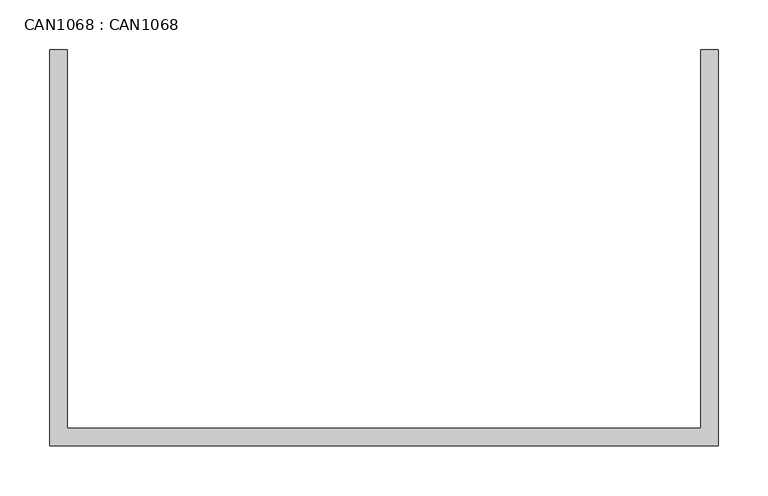
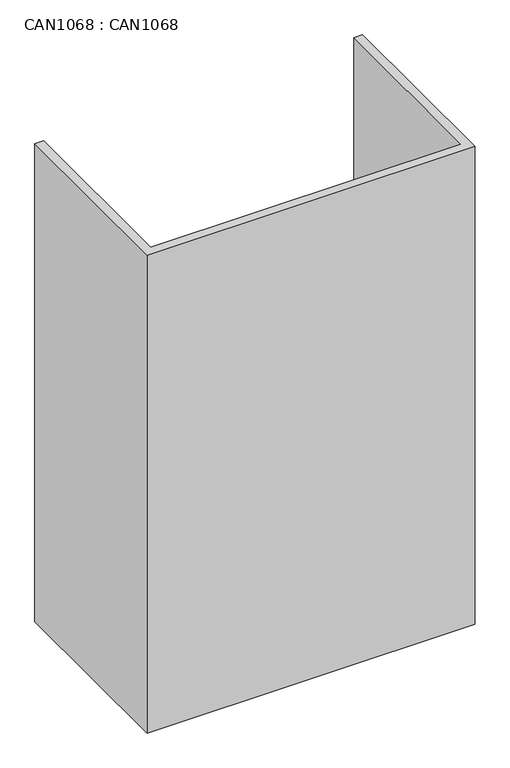
"""IFC4 building model written with IfcOpenShell, lengths in millimetres: proxy geometry, CAN1068 : CAN1068."""

from ifc_helpers import new_model, si_unit, origin, origin_with_axes, place, context, project, spatial, polyline, outline, extrude, source, transform, mapped, element, save


def can1068_can1068_f52be9b0(model_context):
    return source(origin(), model_context, "Body", "SweptSolid", [
        extrude(outline(polyline([(9.0, 0.0), (9.0, -382.0), (648.0, -382.0), (648.0, 0.0), (666.0, 0.0), (666.0, -400.0), (-9.0, -400.0), (-9.0, 0.0), (9.0, 0.0)])), origin_with_axes(), (0.0, 0.0, 1.0), 1040.0),
    ])


if __name__ == "__main__":
    model = new_model("IFC4")
    model_context = context("Model", 3, world=origin())
    ifc_project = project(units=[si_unit("LENGTHUNIT", "METRE", prefix="MILLI")], contexts=[model_context])
    site = spatial("IfcSite", under=ifc_project)
    building = spatial("IfcBuilding", under=site)
    placement = place(None, origin())
    can1068_can1068_shape = can1068_can1068_f52be9b0(model_context)
    element("IfcBuildingElementProxy", 1, Name="CAN1068 : CAN1068", ObjectType="CAN1068 : CAN1068", at=placement, inside=building, context=model_context, shape_type="MappedRepresentation", body=[
        mapped(can1068_can1068_shape, transform((0.0, 0.0, 0.0), x_axis=(1.0, 0.0, 0.0), y_axis=(0.0, 1.0, 0.0), z_axis=(0.0, 0.0, 1.0))),
    ])
    save(model, "model.ifc")
